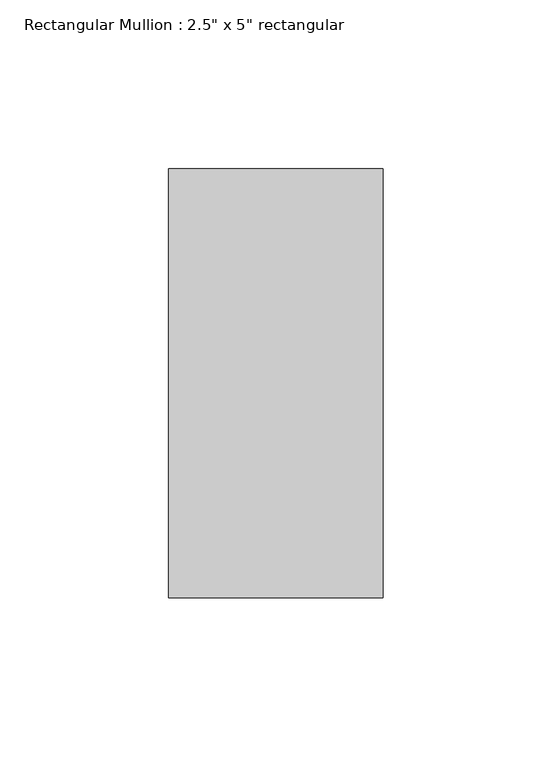
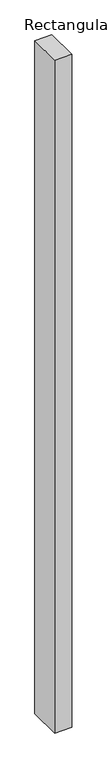
"""IFC4 building model written with IfcOpenShell, lengths in millimetres: member geometry."""

from ifc_helpers import new_model, si_unit, frame, origin, place, context, project, spatial, polyline, outline, extrude, source, transform, mapped, element, save


def member_93969e52(model_context):
    return source(origin(), model_context, "Body", "SweptSolid", [
        extrude(outline(polyline([(0.0, 63.5), (0.0, -63.5), (-63.5, -63.5), (-63.5, 63.5), (0.0, 63.5)])), frame((0.0, 0.0, -2647.95), z_axis=(0.0, 0.0, 1.0), x_axis=(1.0, 0.0, 0.0)), (0.0, 0.0, 1.0), 2647.95),
    ])


if __name__ == "__main__":
    model = new_model("IFC4")
    model_context = context("Model", 3, world=origin())
    ifc_project = project(units=[si_unit("LENGTHUNIT", "METRE", prefix="MILLI")], contexts=[model_context])
    site = spatial("IfcSite", under=ifc_project)
    building = spatial("IfcBuilding", under=site)
    placement = place(None, origin())
    member_shape = member_93969e52(model_context)
    element("IfcMember", 1, ObjectType="Rectangular Mullion : 2.5\" x 5\" rectangular", at=placement, inside=building, context=model_context, shape_type="MappedRepresentation", body=[
        mapped(member_shape, transform((0.0, 0.0, 0.0), x_axis=(1.0, 0.0, 0.0), y_axis=(0.0, 1.0, 0.0), z_axis=(0.0, 0.0, 1.0))),
    ])
    save(model, "model.ifc")
